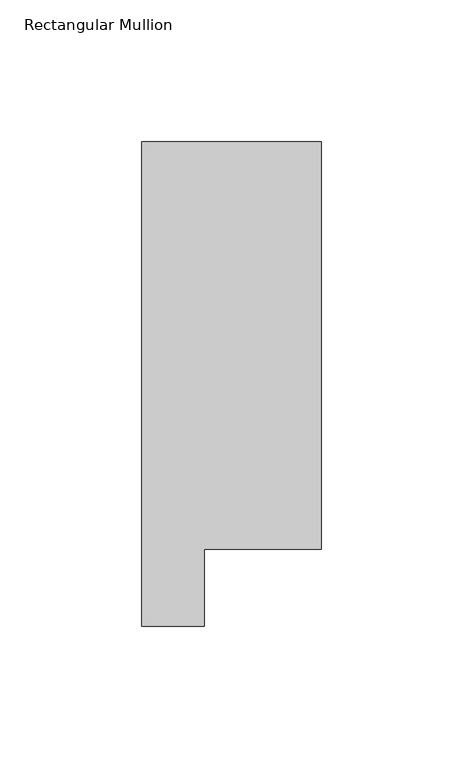
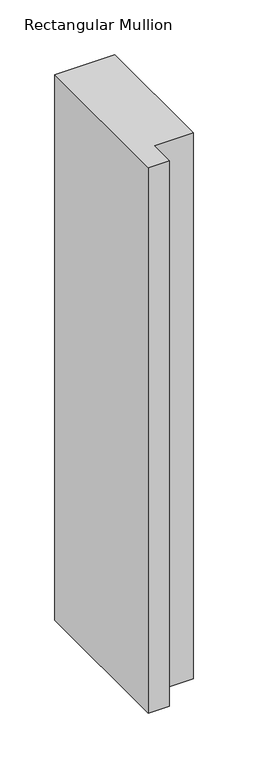
"""IFC4 building model written with IfcOpenShell, lengths in millimetres: member geometry, Rectangular Mullion."""

from ifc_helpers import new_model, si_unit, frame, origin, place, context, project, spatial, polyline, outline, extrude, source, transform, mapped, element, save


def rectangular_mullion_98d54b3b(model_context):
    return source(origin(), model_context, "Body", "SweptSolid", [
        extrude(outline(polyline([(-63.5, 190.7881312), (0.0, 190.7881312), (0.0, 46.7447302), (-41.2877, 46.7447302), (-41.2877, 19.5667312), (-63.5, 19.5667312), (-63.5, 190.7881312)])), frame((0.0, 0.0, -609.6), z_axis=(0.0, 0.0, 1.0), x_axis=(1.0, 0.0, 0.0)), (0.0, 0.0, 1.0), 609.6),
    ])


if __name__ == "__main__":
    model = new_model("IFC4")
    model_context = context("Model", 3, world=origin())
    ifc_project = project(units=[si_unit("LENGTHUNIT", "METRE", prefix="MILLI")], contexts=[model_context])
    site = spatial("IfcSite", under=ifc_project)
    building = spatial("IfcBuilding", under=site)
    placement = place(None, origin())
    rectangular_mullion_shape = rectangular_mullion_98d54b3b(model_context)
    element("IfcMember", 1, ObjectType="Rectangular Mullion", at=placement, inside=building, context=model_context, shape_type="MappedRepresentation", body=[
        mapped(rectangular_mullion_shape, transform((0.0, 0.0, 0.0), x_axis=(1.0, 0.0, 0.0), y_axis=(0.0, 1.0, 0.0), z_axis=(0.0, 0.0, 1.0))),
    ])
    save(model, "model.ifc")
